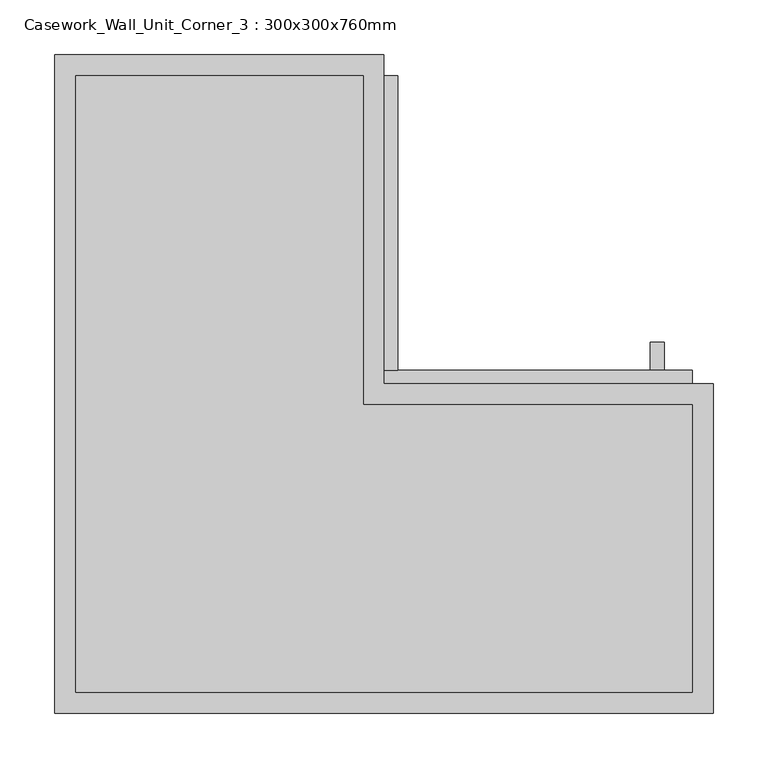
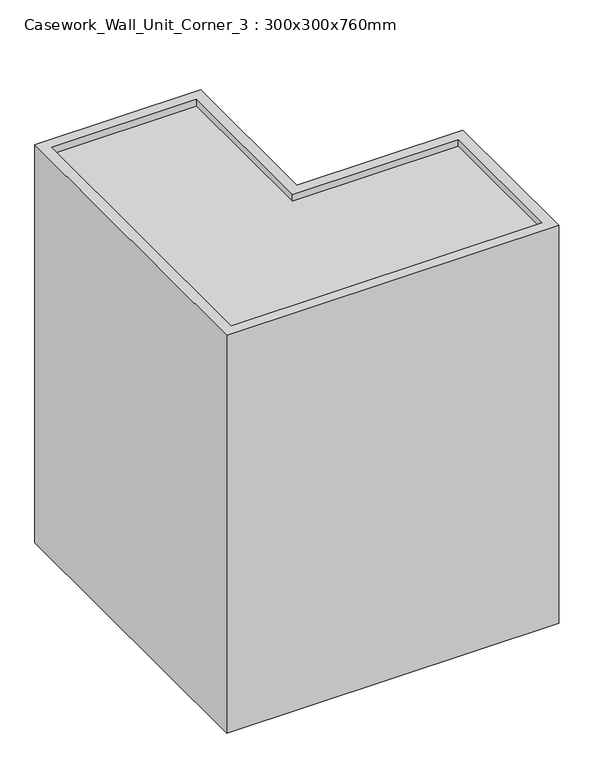
"""IFC4 building model written with IfcOpenShell, lengths in millimetres: furniture geometry, Casework_Wall_Unit_Corner_3 : 300x300x760mm."""

import ifcopenshell
import ifcopenshell.guid

model = None  # the IFC model being written
_history = None  # IfcOwnerHistory: only IFC2X3 demands one
_inside = {}  # id of a spatial element -> (the spatial element, [elements in it])
_under = {}  # id of a project, library or spatial element -> (it, [spatial elements below it])
_declared = {}  # id of a project -> (the project, [libraries it declares])
_typed = {}  # id of a type object -> (the type object, [elements of that type])
_made_of = {}  # id of a material, layer set ... -> (it, [elements and type objects made of it])


def new_model(schema):
    """Start an empty IFC model of exactly this schema.

    Asked for "IFC4X3", IfcOpenShell would pick the latest addendum, in which some entities
    have other attributes; the version numbers below select the first issue.
    IFC2X3 requires an IfcOwnerHistory on every rooted entity: one is made here for all.
    """
    global model, _history
    if schema == "IFC4X3":
        model = ifcopenshell.file(schema_version=(4, 3, 0, 0))
    else:
        model = ifcopenshell.file(schema=schema)
    _inside.clear()
    _under.clear()
    _declared.clear()
    _typed.clear()
    _made_of.clear()
    _history = None
    if model.schema == "IFC2X3":
        org = make("IfcOrganization", Name="unknown")
        user = make(
            "IfcPersonAndOrganization",
            ThePerson=make("IfcPerson", FamilyName="unknown"),
            TheOrganization=org,
        )
        app = make(
            "IfcApplication",
            ApplicationDeveloper=org,
            Version="unknown",
            ApplicationFullName="unknown",
            ApplicationIdentifier="unknown",
        )
        _history = make(
            "IfcOwnerHistory",
            OwningUser=user,
            OwningApplication=app,
            ChangeAction="ADDED",
            CreationDate=0,
        )
    return model


def make(cls, **values):
    """One entity of the class cls with the attributes given. An attribute that is None is left unset."""
    return model.create_entity(
        cls, **{name: value for name, value in values.items() if value is not None}
    )


def rooted(cls, **values):
    """An entity with a GlobalId (a new one), such as an element, a storey or a relation."""
    return make(cls, GlobalId=ifcopenshell.guid.new(), OwnerHistory=_history, **values)


def si_unit(unit_type, name, prefix=None):
    """IfcSIUnit, for example si_unit("LENGTHUNIT", "METRE", prefix="MILLI")."""
    return make("IfcSIUnit", UnitType=unit_type, Prefix=prefix, Name=name)


def assignment(units):
    """IfcUnitAssignment: the units of a project."""
    return None if units is None else make("IfcUnitAssignment", Units=units)


def point(xyz):
    """IfcCartesianPoint."""
    return None if xyz is None else make("IfcCartesianPoint", Coordinates=xyz)


def direction(xyz):
    """IfcDirection."""
    return None if xyz is None else make("IfcDirection", DirectionRatios=xyz)


def frame(location, z_axis=None, x_axis=None):
    """IfcAxis2Placement3D, a coordinate frame: its origin and axes. An axis left out is left unset."""
    return make(
        "IfcAxis2Placement3D",
        Location=point(location),
        Axis=direction(z_axis),
        RefDirection=direction(x_axis),
    )


def origin():
    """The frame at (0, 0, 0) with its axes left unset."""
    return frame((0.0, 0.0, 0.0))


def place(relative_to, where):
    """IfcLocalPlacement: puts the frame where relative to a parent placement (None: the world)."""
    return make(
        "IfcLocalPlacement", PlacementRelTo=relative_to, RelativePlacement=where
    )


def context(
    kind, dimensions, precision=None, world=None, true_north=None, identifier=None
):
    """IfcGeometricRepresentationContext, for example the 3D "Model" context."""
    return make(
        "IfcGeometricRepresentationContext",
        ContextIdentifier=identifier,
        ContextType=kind,
        CoordinateSpaceDimension=dimensions,
        Precision=precision,
        WorldCoordinateSystem=world,
        TrueNorth=true_north,
    )


def project(units=None, contexts=None):
    """IfcProject with its units and contexts."""
    return rooted(
        "IfcProject",
        Name="project",
        RepresentationContexts=contexts,
        UnitsInContext=assignment(units),
    )


def spatial(cls, under=None, at=None, **own):
    """A site, building, storey or space (cls), placed at a placement, below another one or the project."""
    s = rooted(cls, ObjectPlacement=at, **own)
    if under is not None:
        _under.setdefault(under.id(), (under, []))[1].append(s)
    return s


def polyline(points):
    """IfcPolyline through the points."""
    return make("IfcPolyline", Points=[point(p) for p in points])


def outline(outer, holes=None, kind="AREA"):
    """IfcArbitraryClosedProfileDef: a profile drawn as a closed curve; with holes, ...WithVoids."""
    if holes is None:
        return make("IfcArbitraryClosedProfileDef", ProfileType=kind, OuterCurve=outer)
    return make(
        "IfcArbitraryProfileDefWithVoids",
        ProfileType=kind,
        OuterCurve=outer,
        InnerCurves=holes,
    )


def extrude(swept, where, along, depth):
    """IfcExtrudedAreaSolid: the profile swept, set in the frame where, extruded along a direction by depth."""
    return make(
        "IfcExtrudedAreaSolid",
        SweptArea=swept,
        Position=where,
        ExtrudedDirection=direction(along),
        Depth=depth,
    )


def shape(context_of_items, identifier, shape_type, items):
    """IfcShapeRepresentation: the items that make up one representation, for example the "Body"."""
    return make(
        "IfcShapeRepresentation",
        ContextOfItems=context_of_items,
        RepresentationIdentifier=identifier,
        RepresentationType=shape_type,
        Items=items,
    )


def source(mapping_origin, context_of_items, identifier, shape_type, items):
    """IfcRepresentationMap: a shape defined once, which mapped items show again and again."""
    return make(
        "IfcRepresentationMap",
        MappingOrigin=mapping_origin,
        MappedRepresentation=shape(context_of_items, identifier, shape_type, items),
    )


def transform(
    local_origin,
    x_axis=None,
    y_axis=None,
    z_axis=None,
    scale=None,
    scale2=None,
    scale3=None,
    uniform=True,
):
    """IfcCartesianTransformationOperator3D, or its non-uniform kind. x_axis, y_axis, z_axis: its Axis1, 2, 3."""
    if uniform:
        return make(
            "IfcCartesianTransformationOperator3D",
            Axis1=direction(x_axis),
            Axis2=direction(y_axis),
            LocalOrigin=point(local_origin),
            Scale=scale,
            Axis3=direction(z_axis),
        )
    return make(
        "IfcCartesianTransformationOperator3DnonUniform",
        Axis1=direction(x_axis),
        Axis2=direction(y_axis),
        LocalOrigin=point(local_origin),
        Scale=scale,
        Axis3=direction(z_axis),
        Scale2=scale2,
        Scale3=scale3,
    )


def mapped(mapping_source, mapping_target):
    """IfcMappedItem: shows the shape of a source again, moved by a transform."""
    return make(
        "IfcMappedItem", MappingSource=mapping_source, MappingTarget=mapping_target
    )


def made_of(thing, what):
    """Note that an element or type object is made of a material, layer set ...; save() writes the relation."""
    if what is not None:
        _made_of.setdefault(what.id(), (what, []))[1].append(thing)
    return thing


def element(
    cls,
    number,
    at=None,
    inside=None,
    cuts=None,
    type_object=None,
    material=None,
    context=None,
    identifier="Body",
    shape_type=None,
    held_by="IfcProductDefinitionShape",
    body=None,
    shapes=None,
    **own,
):
    """One element of the class cls, such as IfcWall. Its Tag is "e" and its number.

    at: its placement. inside: the storey or other place that contains it. cuts: it is an
    opening in that element (IfcRelVoidsElement). A single representation is given by context,
    identifier, shape_type and body (its items); several are given by shapes. held_by: the class
    of the entity that holds the representations. save() writes the other relations.
    """
    e = rooted(cls, Tag="e%d" % number, ObjectPlacement=at, **own)
    if body is not None:
        shapes = [shape(context, identifier, shape_type, body)]
    if shapes is not None:
        e.Representation = make(held_by, Representations=shapes)
    if inside is not None:
        _inside.setdefault(inside.id(), (inside, []))[1].append(e)
    if cuts is not None:
        rooted(
            "IfcRelVoidsElement", RelatingBuildingElement=cuts, RelatedOpeningElement=e
        )
    if type_object is not None:
        _typed.setdefault(type_object.id(), (type_object, []))[1].append(e)
    return made_of(e, material)


def aggregate(whole, parts):
    """IfcRelAggregates: a whole, such as a stair, and the parts it consists of."""
    return rooted("IfcRelAggregates", RelatingObject=whole, RelatedObjects=parts)


def save(model, path):
    """Write the relations noted so far, then the file.

    IfcRelAggregates (storeys below a building ...), IfcRelContainedInSpatialStructure (elements
    in a storey), IfcRelDefinesByType, IfcRelAssociatesMaterial and IfcRelDeclares: one each for
    every whole, place, type object, material and project.
    """
    for whole, parts in _under.values():
        aggregate(whole, parts)
    for where, things in _inside.values():
        rooted(
            "IfcRelContainedInSpatialStructure",
            RelatedElements=things,
            RelatingStructure=where,
        )
    for kind, things in _typed.values():
        rooted("IfcRelDefinesByType", RelatedObjects=things, RelatingType=kind)
    for what, things in _made_of.values():
        rooted("IfcRelAssociatesMaterial", RelatedObjects=things, RelatingMaterial=what)
    for by, libraries in _declared.values():
        rooted("IfcRelDeclares", RelatingContext=by, RelatedDefinitions=libraries)
    model.write(path)


def casework_wall_unit_corner_3_300x300x760mm_c4a4a7eb(model_context):
    return source(origin(), model_context, "Body", "SweptSolid", [
        extrude(outline(polyline([(501.2211628, 408.1), (513.9211628, 408.1), (513.9211628, 382.7), (501.2211628, 382.7), (501.2211628, 408.1)])), frame((0.0, 0.0, 1407.15), z_axis=(0.0, 0.0, 1.0), x_axis=(1.0, 0.0, 0.0)), (0.0, 0.0, 1.0), 101.6),
        extrude(outline(polyline([(271.0711628, 650.95), (271.0711628, 382.7), (258.3711628, 382.7), (258.3711628, 650.95), (271.0711628, 650.95)])), frame((0.0, 0.0, 1369.05), z_axis=(0.0, 0.0, 1.0), x_axis=(1.0, 0.0, 0.0)), (0.0, 0.0, 1.0), 709.2),
        extrude(outline(polyline([(258.3711628, 382.7), (539.3211628, 382.7), (539.3211628, 370.0), (258.3711628, 370.0), (258.3711628, 382.7)])), frame((0.0, 0.0, 1369.05), z_axis=(0.0, 0.0, 1.0), x_axis=(1.0, 0.0, 0.0)), (0.0, 0.0, 1.0), 709.2),
        extrude(outline(polyline([(-22.5788372, 650.95), (239.3211628, 650.95), (239.3211628, 350.95), (539.3211628, 350.95), (539.3211628, 89.05), (-22.5788372, 89.05), (-22.5788372, 650.95)])), frame((0.0, 0.0, 2078.25), z_axis=(0.0, 0.0, 1.0), x_axis=(1.0, 0.0, 0.0)), (0.0, 0.0, 1.0), 19.05),
        extrude(outline(polyline([(-22.5788372, 650.95), (239.3211628, 650.95), (239.3211628, 350.95), (539.3211628, 350.95), (539.3211628, 89.05), (-22.5788372, 89.05), (-22.5788372, 650.95)])), frame((0.0, 0.0, 1350.0), z_axis=(0.0, 0.0, 1.0), x_axis=(1.0, 0.0, 0.0)), (0.0, 0.0, 1.0), 19.05),
        extrude(outline(polyline([(-41.6288372, 670.0), (258.3711628, 670.0), (258.3711628, 370.0), (558.3711628, 370.0), (558.3711628, 70.0), (-41.6288372, 70.0), (-41.6288372, 670.0)]), holes=[polyline([(539.3211628, 89.05), (539.3211628, 350.95), (239.3211628, 350.95), (239.3211628, 650.95), (-22.5788372, 650.95), (-22.5788372, 89.05), (539.3211628, 89.05)])]), frame((0.0, 0.0, 1350.0), z_axis=(0.0, 0.0, 1.0), x_axis=(1.0, 0.0, 0.0)), (0.0, 0.0, 1.0), 760.0),
    ])


if __name__ == "__main__":
    model = new_model("IFC4")
    model_context = context("Model", 3, world=origin())
    ifc_project = project(units=[si_unit("LENGTHUNIT", "METRE", prefix="MILLI")], contexts=[model_context])
    site = spatial("IfcSite", under=ifc_project)
    building = spatial("IfcBuilding", under=site)
    placement = place(None, origin())
    casework_wall_unit_corner_3_300x300x760mm_shape = casework_wall_unit_corner_3_300x300x760mm_c4a4a7eb(model_context)
    element("IfcFurniture", 1, ObjectType="Casework_Wall_Unit_Corner_3 : 300x300x760mm", at=placement, inside=building, context=model_context, shape_type="MappedRepresentation", body=[
        mapped(casework_wall_unit_corner_3_300x300x760mm_shape, transform((0.0, 0.0, 0.0), x_axis=(1.0, 0.0, 0.0), y_axis=(0.0, 1.0, 0.0), z_axis=(0.0, 0.0, 1.0))),
    ])
    save(model, "model.ifc")
